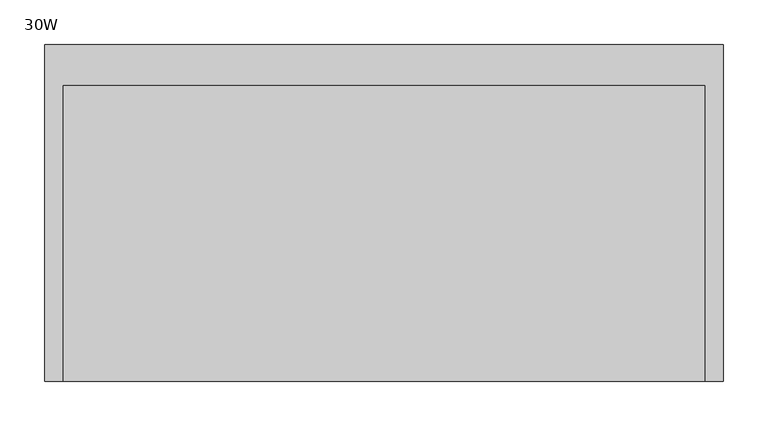
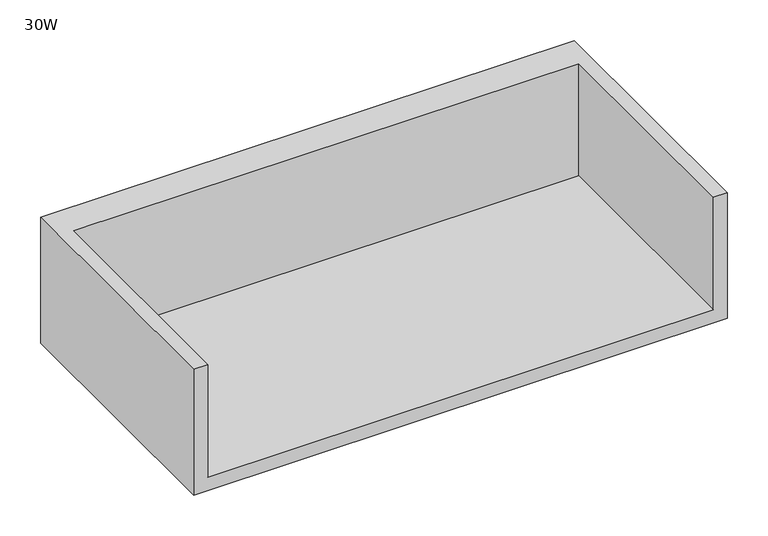
"""IFC4 building model written with IfcOpenShell, lengths in millimetres: furniture geometry, 30W."""

from ifc_helpers import new_model, si_unit, origin, place, context, project, spatial, faceted_brep, source, transform, mapped, element, save


def furniture_30w_dc1b8037(model_context):
    return source(origin(), model_context, "Body", "Brep", [
        faceted_brep([(20.1673737, -320.802, 1115.6696643), (740.8166263, -320.802, 1115.6696643), (740.8166263, 11.5824326, 1115.6696643), (20.1673737, 11.5824326, 1115.6696643), (0.0, -320.802, 1095.502), (0.0, 57.15, 1095.502), (760.984, 57.15, 1095.502), (760.984, -320.802, 1095.502), (760.984, 57.15, 1284.9860736), (0.0, 57.15, 1284.9860736), (20.1673737, -320.802, 1284.9860736), (0.0, -320.802, 1284.9860736), (760.984, -320.802, 1284.9860736), (740.8166263, -320.802, 1284.9860736), (20.1673737, 11.5824326, 1284.9860736), (740.8166263, 11.5824326, 1284.9860736)], [[[0, 1, 2, 3]], [[4, 5, 6, 7]], [[8, 6, 5, 9]], [[1, 0, 10, 11, 4, 7, 12, 13]], [[8, 9, 11, 10, 14, 15, 13, 12]], [[11, 9, 5, 4]], [[10, 0, 3, 14]], [[8, 12, 7, 6]], [[1, 13, 15, 2]], [[15, 14, 3, 2]]]),
    ])


if __name__ == "__main__":
    model = new_model("IFC4")
    model_context = context("Model", 3, world=origin())
    ifc_project = project(units=[si_unit("LENGTHUNIT", "METRE", prefix="MILLI")], contexts=[model_context])
    site = spatial("IfcSite", under=ifc_project)
    building = spatial("IfcBuilding", under=site)
    placement = place(None, origin())
    furniture_30w_shape = furniture_30w_dc1b8037(model_context)
    element("IfcFurniture", 1, ObjectType="30W", at=placement, inside=building, context=model_context, shape_type="MappedRepresentation", body=[
        mapped(furniture_30w_shape, transform((0.0, 0.0, 0.0), x_axis=(1.0, 0.0, 0.0), y_axis=(0.0, 1.0, 0.0), z_axis=(0.0, 0.0, 1.0))),
    ])
    save(model, "model.ifc")
